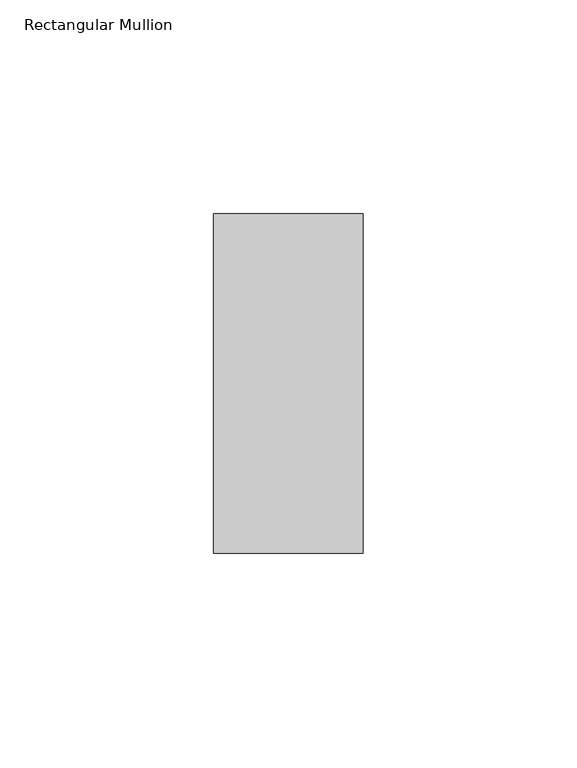
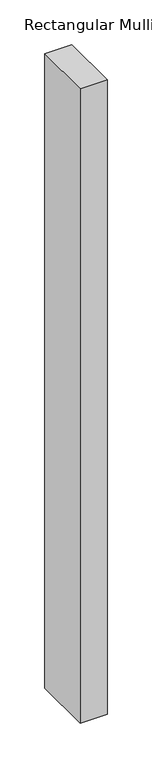
"""IFC4 building model written with IfcOpenShell, lengths in millimetres: member geometry, Rectangular Mullion."""

from ifc_helpers import new_model, si_unit, frame, origin, place, context, project, spatial, polyline, outline, extrude, source, transform, mapped, element, save


def rectangular_mullion_5e3fe0ed(model_context):
    return source(origin(), model_context, "Body", "SweptSolid", [
        extrude(outline(polyline([(0.0, 49.2125), (0.0, -30.1625), (-34.925, -30.1625), (-34.925, 49.2125), (0.0, 49.2125)])), frame((0.0, 0.0, -867.41), z_axis=(0.0, 0.0, 1.0), x_axis=(1.0, 0.0, 0.0)), (0.0, 0.0, 1.0), 867.41),
    ])


if __name__ == "__main__":
    model = new_model("IFC4")
    model_context = context("Model", 3, world=origin())
    ifc_project = project(units=[si_unit("LENGTHUNIT", "METRE", prefix="MILLI")], contexts=[model_context])
    site = spatial("IfcSite", under=ifc_project)
    building = spatial("IfcBuilding", under=site)
    placement = place(None, origin())
    rectangular_mullion_shape = rectangular_mullion_5e3fe0ed(model_context)
    element("IfcMember", 1, ObjectType="Rectangular Mullion", at=placement, inside=building, context=model_context, shape_type="MappedRepresentation", body=[
        mapped(rectangular_mullion_shape, transform((0.0, 0.0, 0.0), x_axis=(1.0, 0.0, 0.0), y_axis=(0.0, 1.0, 0.0), z_axis=(0.0, 0.0, 1.0))),
    ])
    save(model, "model.ifc")
